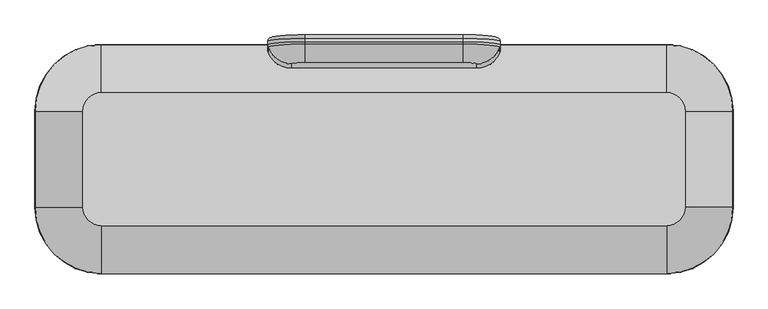
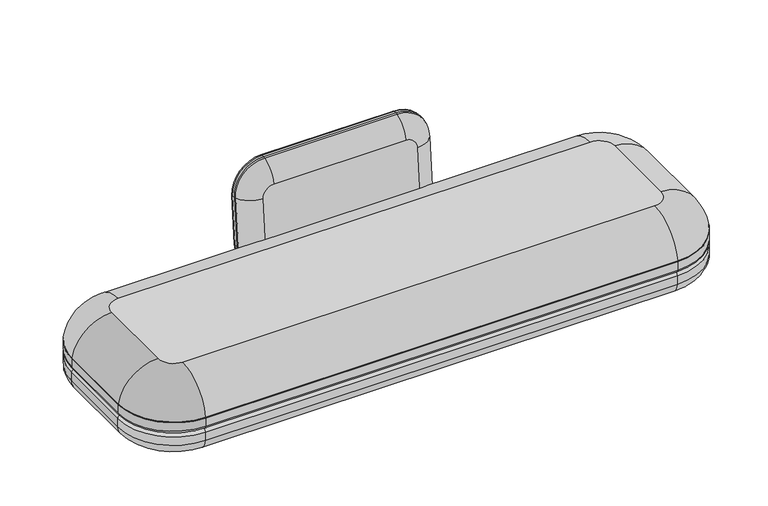
"""IFC4 building model written with IfcOpenShell, lengths in millimetres: furniture geometry."""

from ifc_helpers import new_model, si_unit, point, frame, origin, place, context, project, spatial, circle_curve, ellipse_curve, trimmed, source, transform, mapped, element, save
from ifc_brep_helpers import plane_surface, cylinder_surface, revolved_surface, advanced_brep


def furniture_c70abf19(model_context):
    return source(origin(), model_context, "Body", "AdvancedBrep", [
        advanced_brep(
        [(2095.5286011, 404.0683594, 275.7565503), (2324.1286011, 175.4683594, 275.7565503), (2324.1286011, 175.4683594, 239.7125), (2095.5286011, 404.0683594, 239.7125), (152.4286011, 404.0683594, 239.7125), (152.4286011, 404.0683594, 275.7565503), (-76.1713989, 175.4683594, 239.7125), (-76.1713989, 175.4683594, 275.7565503), (-76.1713989, -154.7316406, 239.7125), (-76.1713989, -154.7316406, 275.7565503), (152.4286011, -383.3316406, 239.7125), (152.4286011, -383.3316406, 275.7565503), (2095.5286011, -383.3316406, 239.7125), (2095.5286011, -383.3316406, 275.7565503), (2324.1286011, -154.7316406, 239.7125), (2324.1286011, -154.7316406, 275.7565503), (2311.4286011, 175.4683594, 227.0125), (2311.4286011, -154.7316406, 227.0125), (2095.5286011, -370.6316406, 227.0125), (152.4286011, -370.6316406, 227.0125), (-63.4713989, -154.7316406, 227.0125), (-63.4713989, 175.4683594, 227.0125), (152.4286011, 391.3683594, 227.0125), (2095.5286011, 391.3683594, 227.0125), (152.4286011, -218.2316406, 419.1), (2095.5286011, -218.2316406, 419.1), (2159.0286011, -154.7316406, 419.1), (2159.0286011, 175.4683594, 419.1), (2095.5286011, 238.9683594, 419.1), (152.4286011, 238.9683594, 419.1), (88.9286011, 175.4683594, 419.1), (88.9286011, -154.7316406, 419.1), (2323.7689183, 175.4683594, 280.0159534), (2095.5286011, 403.7086766, 280.0159534), (152.4286011, 403.7086766, 280.0159534), (-75.8117161, 175.4683594, 280.0159534), (-75.8117161, -154.7316406, 280.0159534), (152.4286011, -382.9719578, 280.0159534), (2095.5286011, -382.9719578, 280.0159534), (2323.7689183, -154.7316406, 280.0159534)],
        [
            (0, 1, circle_curve(frame((2095.5286011, 175.4683594, 275.7565503), z_axis=(0.0, 0.0, -1.0), x_axis=(1.0, 0.0, 0.0)), 228.6)),
            (1, 2),
            (2, 3, circle_curve(frame((2095.5286011, 175.4683594, 239.7125), z_axis=(0.0, 0.0, 1.0), x_axis=(1.0, 0.0, 0.0)), 228.6)),
            (3, 0),
            (3, 4),
            (4, 5),
            (5, 0),
            (4, 6, circle_curve(frame((152.4286011, 175.4683594, 239.7125), z_axis=(0.0, 0.0, 1.0), x_axis=(0.0, 1.0, 0.0)), 228.6)),
            (6, 7),
            (7, 5, circle_curve(frame((152.4286011, 175.4683594, 275.7565503), z_axis=(0.0, 0.0, -1.0), x_axis=(0.0, 1.0, 0.0)), 228.6)),
            (6, 8),
            (8, 9),
            (9, 7),
            (8, 10, circle_curve(frame((152.4286011, -154.7316406, 239.7125), z_axis=(0.0, 0.0, 1.0), x_axis=(-1.0, 0.0, 0.0)), 228.6)),
            (10, 11),
            (11, 9, circle_curve(frame((152.4286011, -154.7316406, 275.7565503), z_axis=(0.0, 0.0, -1.0), x_axis=(-1.0, 0.0, 0.0)), 228.6)),
            (10, 12),
            (12, 13),
            (13, 11),
            (12, 14, circle_curve(frame((2095.5286011, -154.7316406, 239.7125), z_axis=(0.0, 0.0, 1.0), x_axis=(0.0, -1.0, 0.0)), 228.6)),
            (14, 15),
            (15, 13, circle_curve(frame((2095.5286011, -154.7316406, 275.7565503), z_axis=(0.0, 0.0, -1.0), x_axis=(0.0, -1.0, 0.0)), 228.6)),
            (16, 17),
            (17, 18, circle_curve(frame((2095.5286011, -154.7316406, 227.0125), z_axis=(0.0, 0.0, -1.0), x_axis=(0.0, -1.0, 0.0)), 215.9)),
            (18, 19),
            (19, 20, circle_curve(frame((152.4286011, -154.7316406, 227.0125), z_axis=(0.0, 0.0, -1.0), x_axis=(-1.0, 0.0, 0.0)), 215.9)),
            (20, 21),
            (21, 22, circle_curve(frame((152.4286011, 175.4683594, 227.0125), z_axis=(0.0, 0.0, -1.0), x_axis=(0.0, 1.0, 0.0)), 215.9)),
            (22, 23),
            (23, 16, circle_curve(frame((2095.5286011, 175.4683594, 227.0125), z_axis=(0.0, 0.0, -1.0), x_axis=(1.0, 0.0, 0.0)), 215.9)),
            (1, 15),
            (14, 2),
            (24, 25),
            (25, 26, circle_curve(frame((2095.5286011, -154.7316406, 419.1), z_axis=(0.0, 0.0, 1.0), x_axis=(0.0, -1.0, 0.0)), 63.5)),
            (26, 27),
            (27, 28, circle_curve(frame((2095.5286011, 175.4683594, 419.1), z_axis=(0.0, 0.0, 1.0), x_axis=(1.0, 0.0, 0.0)), 63.5)),
            (28, 29),
            (29, 30, circle_curve(frame((152.4286011, 175.4683594, 419.1), z_axis=(0.0, 0.0, 1.0), x_axis=(0.0, 1.0, 0.0)), 63.5)),
            (30, 31),
            (31, 24, circle_curve(frame((152.4286011, -154.7316406, 419.1), z_axis=(0.0, 0.0, 1.0), x_axis=(-1.0, 0.0, 0.0)), 63.5)),
            (27, 32, circle_curve(frame((2159.0286011, 175.4683594, 251.9933287), z_axis=(0.0, 1.0, 0.0), x_axis=(-1.0, 0.0, 0.0)), 167.1066713)),
            (32, 33, circle_curve(frame((2095.5286011, 175.4683594, 280.0159534), z_axis=(0.0, 0.0, 1.0), x_axis=(1.0, 0.0, 0.0)), 228.2403172)),
            (33, 28, circle_curve(frame((2095.5286011, 238.9683594, 251.9933287), z_axis=(1.0, 0.0, 0.0), x_axis=(0.0, -1.0, 0.0)), 167.1066713)),
            (33, 34),
            (34, 29, circle_curve(frame((152.4286011, 238.9683594, 251.9933287), z_axis=(1.0, 0.0, 0.0), x_axis=(0.0, -1.0, 0.0)), 167.1066713)),
            (34, 35, circle_curve(frame((152.4286011, 175.4683594, 280.0159534), z_axis=(0.0, 0.0, 1.0), x_axis=(0.0, 1.0, 0.0)), 228.2403172)),
            (35, 30, circle_curve(frame((88.9286011, 175.4683594, 251.9933287), z_axis=(0.0, 1.0, 0.0), x_axis=(1.0, 0.0, 0.0)), 167.1066713)),
            (35, 36),
            (36, 31, circle_curve(frame((88.9286011, -154.7316406, 251.9933287), z_axis=(0.0, 1.0, 0.0), x_axis=(1.0, 0.0, 0.0)), 167.1066713)),
            (36, 37, circle_curve(frame((152.4286011, -154.7316406, 280.0159534), z_axis=(0.0, 0.0, 1.0), x_axis=(-1.0, 0.0, 0.0)), 228.2403172)),
            (37, 24, circle_curve(frame((152.4286011, -218.2316406, 251.9933287), z_axis=(-1.0, 0.0, 0.0), x_axis=(0.0, 1.0, 0.0)), 167.1066713)),
            (37, 38),
            (38, 25, circle_curve(frame((2095.5286011, -218.2316406, 251.9933287), z_axis=(-1.0, 0.0, 0.0), x_axis=(0.0, 1.0, 0.0)), 167.1066713)),
            (38, 39, circle_curve(frame((2095.5286011, -154.7316406, 280.0159534), z_axis=(0.0, 0.0, 1.0), x_axis=(0.0, -1.0, 0.0)), 228.2403172)),
            (39, 26, circle_curve(frame((2159.0286011, -154.7316406, 251.9933287), z_axis=(0.0, -1.0, 0.0), x_axis=(-1.0, 0.0, 0.0)), 167.1066713)),
            (39, 32),
            (0, 33, circle_curve(frame((2095.5286011, 378.6683594, 275.7565503), z_axis=(1.0, 0.0, 0.0), x_axis=(0.0, -1.0, 0.0)), 25.4)),
            (32, 1, circle_curve(frame((2298.7286011, 175.4683594, 275.7565503), z_axis=(0.0, 1.0, 0.0), x_axis=(-1.0, 0.0, 0.0)), 25.4)),
            (5, 34, circle_curve(frame((152.4286011, 378.6683594, 275.7565503), z_axis=(1.0, 0.0, 0.0), x_axis=(0.0, -1.0, 0.0)), 25.4)),
            (7, 35, circle_curve(frame((-50.7713989, 175.4683594, 275.7565503), z_axis=(0.0, 1.0, 0.0), x_axis=(1.0, 0.0, 0.0)), 25.4)),
            (9, 36, circle_curve(frame((-50.7713989, -154.7316406, 275.7565503), z_axis=(0.0, 1.0, 0.0), x_axis=(1.0, 0.0, 0.0)), 25.4)),
            (11, 37, circle_curve(frame((152.4286011, -357.9316406, 275.7565503), z_axis=(-1.0, 0.0, 0.0), x_axis=(0.0, 1.0, 0.0)), 25.4)),
            (13, 38, circle_curve(frame((2095.5286011, -357.9316406, 275.7565503), z_axis=(-1.0, 0.0, 0.0), x_axis=(0.0, 1.0, 0.0)), 25.4)),
            (15, 39, circle_curve(frame((2298.7286011, -154.7316406, 275.7565503), z_axis=(0.0, -1.0, 0.0), x_axis=(-1.0, 0.0, 0.0)), 25.4)),
            (2, 16, circle_curve(frame((2311.4286011, 175.4683594, 239.7125), z_axis=(0.0, 1.0, 0.0), x_axis=(-1.0, 0.0, 0.0)), 12.7)),
            (23, 3, circle_curve(frame((2095.5286011, 391.3683594, 239.7125), z_axis=(1.0, 0.0, 0.0), x_axis=(0.0, -1.0, 0.0)), 12.7)),
            (22, 4, circle_curve(frame((152.4286011, 391.3683594, 239.7125), z_axis=(1.0, 0.0, 0.0), x_axis=(0.0, -1.0, 0.0)), 12.7)),
            (21, 6, circle_curve(frame((-63.4713989, 175.4683594, 239.7125), z_axis=(0.0, 1.0, 0.0), x_axis=(1.0, 0.0, 0.0)), 12.7)),
            (20, 8, circle_curve(frame((-63.4713989, -154.7316406, 239.7125), z_axis=(0.0, 1.0, 0.0), x_axis=(1.0, 0.0, 0.0)), 12.7)),
            (19, 10, circle_curve(frame((152.4286011, -370.6316406, 239.7125), z_axis=(-1.0, 0.0, 0.0), x_axis=(0.0, 1.0, 0.0)), 12.7)),
            (18, 12, circle_curve(frame((2095.5286011, -370.6316406, 239.7125), z_axis=(-1.0, 0.0, 0.0), x_axis=(0.0, 1.0, 0.0)), 12.7)),
            (17, 14, circle_curve(frame((2311.4286011, -154.7316406, 239.7125), z_axis=(0.0, -1.0, 0.0), x_axis=(-1.0, 0.0, 0.0)), 12.7)),
        ],
        [
            cylinder_surface(frame((2095.5286011, 175.4683594, 419.1), z_axis=(0.0, 0.0, 1.0), x_axis=(1.0, 0.0, 0.0)), 228.6),
            plane_surface(frame((2095.5286011, 404.0683594, 239.7125), z_axis=(0.0, 1.0, 0.0), x_axis=(-1.0, 0.0, 0.0))),
            cylinder_surface(frame((152.4286011, 175.4683594, 419.1), z_axis=(0.0, 0.0, 1.0), x_axis=(0.0, 1.0, 0.0)), 228.6),
            plane_surface(frame((-76.1713989, 175.4683594, 239.7125), z_axis=(-1.0, 0.0, 0.0), x_axis=(0.0, -1.0, 0.0))),
            cylinder_surface(frame((152.4286011, -154.7316406, 419.1), z_axis=(0.0, 0.0, 1.0), x_axis=(-1.0, 0.0, 0.0)), 228.6),
            plane_surface(frame((152.4286011, -383.3316406, 239.7125), z_axis=(0.0, -1.0, 0.0), x_axis=(1.0, 0.0, 0.0))),
            cylinder_surface(frame((2095.5286011, -154.7316406, 419.1), z_axis=(0.0, 0.0, 1.0), x_axis=(0.0, -1.0, 0.0)), 228.6),
            plane_surface(frame((2133.6286011, -154.7316406, 227.0125), z_axis=(0.0, 0.0, -1.0), x_axis=(0.0, 1.0, 0.0))),
            plane_surface(frame((2324.1286011, -154.7316406, 239.7125), z_axis=(1.0, 0.0, 0.0), x_axis=(0.0, 1.0, 0.0))),
            plane_surface(frame((2159.0286011, -154.7316406, 419.1), z_axis=(0.0, 0.0, 1.0), x_axis=(0.0, 1.0, 0.0))),
            revolved_surface(trimmed(ellipse_curve(frame((2159.0286011, 175.4683594, 251.9933287), z_axis=(0.0, -1.0, 0.0), x_axis=(-1.0, 0.0, 0.0)), 167.1066713, 167.1066713), [point((2323.7689183, 175.4683594, 280.0159534))], [point((2159.0286011, 175.4683594, 419.1))], True, "CARTESIAN"), (2095.5286011, 175.4683594, 419.1), (0.0, 0.0, 1.0)),
            cylinder_surface(frame((2095.5286011, 238.9683594, 251.9933287), z_axis=(1.0, 0.0, 0.0), x_axis=(0.0, -1.0, 0.0)), 167.1066713),
            revolved_surface(trimmed(ellipse_curve(frame((152.4286011, 238.9683594, 251.9933287), z_axis=(1.0, 0.0, 0.0), x_axis=(0.0, -1.0, 0.0)), 167.1066713, 167.1066713), [point((152.4286011, 403.7086766, 280.0159534))], [point((152.4286011, 238.9683594, 419.1))], True, "CARTESIAN"), (152.4286011, 175.4683594, 419.1), (0.0, 0.0, 1.0)),
            cylinder_surface(frame((88.9286011, 175.4683594, 251.9933287), z_axis=(0.0, 1.0, 0.0), x_axis=(1.0, 0.0, 0.0)), 167.1066713),
            revolved_surface(trimmed(ellipse_curve(frame((88.9286011, -154.7316406, 251.9933287), z_axis=(0.0, 1.0, 0.0), x_axis=(1.0, 0.0, 0.0)), 167.1066713, 167.1066713), [point((-75.8117161, -154.7316406, 280.0159534))], [point((88.9286011, -154.7316406, 419.1))], True, "CARTESIAN"), (152.4286011, -154.7316406, 419.1), (0.0, 0.0, 1.0)),
            cylinder_surface(frame((152.4286011, -218.2316406, 251.9933287), z_axis=(-1.0, 0.0, 0.0), x_axis=(0.0, 1.0, 0.0)), 167.1066713),
            revolved_surface(trimmed(ellipse_curve(frame((2095.5286011, -218.2316406, 251.9933287), z_axis=(-1.0, 0.0, 0.0), x_axis=(0.0, 1.0, 0.0)), 167.1066713, 167.1066713), [point((2095.5286011, -382.9719578, 280.0159534))], [point((2095.5286011, -218.2316406, 419.1))], True, "CARTESIAN"), (2095.5286011, -154.7316406, 419.1), (0.0, 0.0, 1.0)),
            cylinder_surface(frame((2159.0286011, -154.7316406, 251.9933287), z_axis=(0.0, -1.0, 0.0), x_axis=(-1.0, 0.0, 0.0)), 167.1066713),
            revolved_surface(trimmed(ellipse_curve(frame((2298.7286011, 175.4683594, 275.7565503), z_axis=(0.0, -1.0, 0.0), x_axis=(-1.0, 0.0, 0.0)), 25.4, 25.4), [point((2324.1286011, 175.4683594, 275.7565503))], [point((2323.7689183, 175.4683594, 280.0159534))], True, "CARTESIAN"), (2095.5286011, 175.4683594, 419.1), (0.0, 0.0, 1.0)),
            cylinder_surface(frame((2095.5286011, 378.6683594, 275.7565503), z_axis=(1.0, 0.0, 0.0), x_axis=(0.0, -1.0, 0.0)), 25.4),
            revolved_surface(trimmed(ellipse_curve(frame((152.4286011, 378.6683594, 275.7565503), z_axis=(1.0, 0.0, 0.0), x_axis=(0.0, -1.0, 0.0)), 25.4, 25.4), [point((152.4286011, 404.0683594, 275.7565503))], [point((152.4286011, 403.7086766, 280.0159534))], True, "CARTESIAN"), (152.4286011, 175.4683594, 419.1), (0.0, 0.0, 1.0)),
            cylinder_surface(frame((-50.7713989, 175.4683594, 275.7565503), z_axis=(0.0, 1.0, 0.0), x_axis=(1.0, 0.0, 0.0)), 25.4),
            revolved_surface(trimmed(ellipse_curve(frame((-50.7713989, -154.7316406, 275.7565503), z_axis=(0.0, 1.0, 0.0), x_axis=(1.0, 0.0, 0.0)), 25.4, 25.4), [point((-76.1713989, -154.7316406, 275.7565503))], [point((-75.8117161, -154.7316406, 280.0159534))], True, "CARTESIAN"), (152.4286011, -154.7316406, 419.1), (0.0, 0.0, 1.0)),
            cylinder_surface(frame((152.4286011, -357.9316406, 275.7565503), z_axis=(-1.0, 0.0, 0.0), x_axis=(0.0, 1.0, 0.0)), 25.4),
            revolved_surface(trimmed(ellipse_curve(frame((2095.5286011, -357.9316406, 275.7565503), z_axis=(-1.0, 0.0, 0.0), x_axis=(0.0, 1.0, 0.0)), 25.4, 25.4), [point((2095.5286011, -383.3316406, 275.7565503))], [point((2095.5286011, -382.9719578, 280.0159534))], True, "CARTESIAN"), (2095.5286011, -154.7316406, 419.1), (0.0, 0.0, 1.0)),
            cylinder_surface(frame((2298.7286011, -154.7316406, 275.7565503), z_axis=(0.0, -1.0, 0.0), x_axis=(-1.0, 0.0, 0.0)), 25.4),
            revolved_surface(trimmed(ellipse_curve(frame((2311.4286011, 175.4683594, 239.7125), z_axis=(0.0, -1.0, 0.0), x_axis=(-1.0, 0.0, 0.0)), 12.7, 12.7), [point((2311.4286011, 175.4683594, 227.0125))], [point((2324.1286011, 175.4683594, 239.7125))], True, "CARTESIAN"), (2095.5286011, 175.4683594, 419.1), (0.0, 0.0, 1.0)),
            cylinder_surface(frame((2095.5286011, 391.3683594, 239.7125), z_axis=(1.0, 0.0, 0.0), x_axis=(0.0, -1.0, 0.0)), 12.7),
            revolved_surface(trimmed(ellipse_curve(frame((152.4286011, 391.3683594, 239.7125), z_axis=(1.0, 0.0, 0.0), x_axis=(0.0, -1.0, 0.0)), 12.7, 12.7), [point((152.4286011, 391.3683594, 227.0125))], [point((152.4286011, 404.0683594, 239.7125))], True, "CARTESIAN"), (152.4286011, 175.4683594, 419.1), (0.0, 0.0, 1.0)),
            cylinder_surface(frame((-63.4713989, 175.4683594, 239.7125), z_axis=(0.0, 1.0, 0.0), x_axis=(1.0, 0.0, 0.0)), 12.7),
            revolved_surface(trimmed(ellipse_curve(frame((-63.4713989, -154.7316406, 239.7125), z_axis=(0.0, 1.0, 0.0), x_axis=(1.0, 0.0, 0.0)), 12.7, 12.7), [point((-63.4713989, -154.7316406, 227.0125))], [point((-76.1713989, -154.7316406, 239.7125))], True, "CARTESIAN"), (152.4286011, -154.7316406, 419.1), (0.0, 0.0, 1.0)),
            cylinder_surface(frame((152.4286011, -370.6316406, 239.7125), z_axis=(-1.0, 0.0, 0.0), x_axis=(0.0, 1.0, 0.0)), 12.7),
            revolved_surface(trimmed(ellipse_curve(frame((2095.5286011, -370.6316406, 239.7125), z_axis=(-1.0, 0.0, 0.0), x_axis=(0.0, 1.0, 0.0)), 12.7, 12.7), [point((2095.5286011, -370.6316406, 227.0125))], [point((2095.5286011, -383.3316406, 239.7125))], True, "CARTESIAN"), (2095.5286011, -154.7316406, 419.1), (0.0, 0.0, 1.0)),
            cylinder_surface(frame((2311.4286011, -154.7316406, 239.7125), z_axis=(0.0, -1.0, 0.0), x_axis=(-1.0, 0.0, 0.0)), 12.7),
        ],
        [
            (0, [[1, 2, 3, 4]]),
            (1, [[-4, 5, 6, 7]]),
            (2, [[-6, 8, 9, 10]]),
            (3, [[-9, 11, 12, 13]]),
            (4, [[-12, 14, 15, 16]]),
            (5, [[-15, 17, 18, 19]]),
            (6, [[-18, 20, 21, 22]]),
            (7, [[23, 24, 25, 26, 27, 28, 29, 30]]),
            (8, [[-2, 31, -21, 32]]),
            (9, [[33, 34, 35, 36, 37, 38, 39, 40]]),
            (10, [[-36, 41, 42, 43]]),
            (11, [[-37, -43, 44, 45]]),
            (12, [[-38, -45, 46, 47]]),
            (13, [[-39, -47, 48, 49]]),
            (14, [[-40, -49, 50, 51]]),
            (15, [[-33, -51, 52, 53]]),
            (16, [[-34, -53, 54, 55]]),
            (17, [[-35, -55, 56, -41]]),
            (18, [[-1, 57, -42, 58]]),
            (19, [[-7, 59, -44, -57]]),
            (20, [[-10, 60, -46, -59]]),
            (21, [[-13, 61, -48, -60]]),
            (22, [[-16, 62, -50, -61]]),
            (23, [[-19, 63, -52, -62]]),
            (24, [[-22, 64, -54, -63]]),
            (25, [[-31, -58, -56, -64]]),
            (26, [[-3, 65, -30, 66]]),
            (27, [[-5, -66, -29, 67]]),
            (28, [[-8, -67, -28, 68]]),
            (29, [[-11, -68, -27, 69]]),
            (30, [[-14, -69, -26, 70]]),
            (31, [[-17, -70, -25, 71]]),
            (32, [[-20, -71, -24, 72]]),
            (33, [[-23, -65, -32, -72]]),
        ],
    ),
        advanced_brep(
        [(2095.5286011, -383.3316406, 178.59375), (2324.1286011, -154.7316406, 178.59375), (2324.1286011, -154.7316406, 214.3125), (2095.5286011, -383.3316406, 214.3125), (2095.5286011, -330.1503906, 125.4125), (2270.9473511, -154.7316406, 125.4125), (152.4286011, -383.3316406, 214.3125), (152.4286011, -383.3316406, 178.59375), (152.4286011, -330.1503906, 125.4125), (-76.1713989, -154.7316406, 214.3125), (-76.1713989, -154.7316406, 178.59375), (-22.9901489, -154.7316406, 125.4125), (-76.1713989, 175.4683594, 214.3125), (-76.1713989, 175.4683594, 178.59375), (-22.9901489, 175.4683594, 125.4125), (152.4286011, 404.0683594, 214.3125), (152.4286011, 404.0683594, 178.59375), (152.4286011, 350.8871094, 125.4125), (2095.5286011, 404.0683594, 214.3125), (2095.5286011, 404.0683594, 178.59375), (2095.5286011, 350.8871094, 125.4125), (2324.1286011, 175.4683594, 214.3125), (2324.1286011, 175.4683594, 178.59375), (2270.9473511, 175.4683594, 125.4125), (2311.4286011, -154.7316406, 227.0125), (2311.4286011, 175.4683594, 227.0125), (2095.5286011, 391.3683594, 227.0125), (152.4286011, 391.3683594, 227.0125), (-63.4713989, 175.4683594, 227.0125), (-63.4713989, -154.7316406, 227.0125), (152.4286011, -370.6316406, 227.0125), (2095.5286011, -370.6316406, 227.0125)],
        [
            (0, 1, circle_curve(frame((2095.5286011, -154.7316406, 178.59375), z_axis=(0.0, 0.0, 1.0), x_axis=(1.0, 0.0, 0.0)), 228.6)),
            (1, 2),
            (2, 3, circle_curve(frame((2095.5286011, -154.7316406, 214.3125), z_axis=(0.0, 0.0, -1.0), x_axis=(1.0, 0.0, 0.0)), 228.6)),
            (3, 0),
            (0, 4, circle_curve(frame((2095.5286011, -330.1503906, 178.59375), z_axis=(1.0, 0.0, 0.0), x_axis=(0.0, 1.0, 0.0)), 53.18125)),
            (4, 5, circle_curve(frame((2095.5286011, -154.7316406, 125.4125), z_axis=(0.0, 0.0, 1.0), x_axis=(1.0, 0.0, 0.0)), 175.41875)),
            (5, 1, circle_curve(frame((2270.9473511, -154.7316406, 178.59375), z_axis=(0.0, -1.0, 0.0), x_axis=(-1.0, 0.0, 0.0)), 53.18125)),
            (3, 6),
            (6, 7),
            (7, 0),
            (7, 8, circle_curve(frame((152.4286011, -330.1503906, 178.59375), z_axis=(1.0, 0.0, 0.0), x_axis=(0.0, 1.0, 0.0)), 53.18125)),
            (8, 4),
            (6, 9, circle_curve(frame((152.4286011, -154.7316406, 214.3125), z_axis=(0.0, 0.0, -1.0), x_axis=(0.0, -1.0, 0.0)), 228.6)),
            (9, 10),
            (10, 7, circle_curve(frame((152.4286011, -154.7316406, 178.59375), z_axis=(0.0, 0.0, 1.0), x_axis=(0.0, -1.0, 0.0)), 228.6)),
            (10, 11, circle_curve(frame((-22.9901489, -154.7316406, 178.59375), z_axis=(0.0, -1.0, 0.0), x_axis=(1.0, 0.0, 0.0)), 53.18125)),
            (11, 8, circle_curve(frame((152.4286011, -154.7316406, 125.4125), z_axis=(0.0, 0.0, 1.0), x_axis=(0.0, -1.0, 0.0)), 175.41875)),
            (9, 12),
            (12, 13),
            (13, 10),
            (13, 14, circle_curve(frame((-22.9901489, 175.4683594, 178.59375), z_axis=(0.0, -1.0, 0.0), x_axis=(1.0, 0.0, 0.0)), 53.18125)),
            (14, 11),
            (12, 15, circle_curve(frame((152.4286011, 175.4683594, 214.3125), z_axis=(0.0, 0.0, -1.0), x_axis=(-1.0, 0.0, 0.0)), 228.6)),
            (15, 16),
            (16, 13, circle_curve(frame((152.4286011, 175.4683594, 178.59375), z_axis=(0.0, 0.0, 1.0), x_axis=(-1.0, 0.0, 0.0)), 228.6)),
            (16, 17, circle_curve(frame((152.4286011, 350.8871094, 178.59375), z_axis=(-1.0, 0.0, 0.0), x_axis=(0.0, -1.0, 0.0)), 53.18125)),
            (17, 14, circle_curve(frame((152.4286011, 175.4683594, 125.4125), z_axis=(0.0, 0.0, 1.0), x_axis=(-1.0, 0.0, 0.0)), 175.41875)),
            (15, 18),
            (18, 19),
            (19, 16),
            (19, 20, circle_curve(frame((2095.5286011, 350.8871094, 178.59375), z_axis=(-1.0, 0.0, 0.0), x_axis=(0.0, -1.0, 0.0)), 53.18125)),
            (20, 17),
            (18, 21, circle_curve(frame((2095.5286011, 175.4683594, 214.3125), z_axis=(0.0, 0.0, -1.0), x_axis=(0.0, 1.0, 0.0)), 228.6)),
            (21, 22),
            (22, 19, circle_curve(frame((2095.5286011, 175.4683594, 178.59375), z_axis=(0.0, 0.0, 1.0), x_axis=(0.0, 1.0, 0.0)), 228.6)),
            (22, 23, circle_curve(frame((2270.9473511, 175.4683594, 178.59375), z_axis=(0.0, 1.0, 0.0), x_axis=(-1.0, 0.0, 0.0)), 53.18125)),
            (23, 20, circle_curve(frame((2095.5286011, 175.4683594, 125.4125), z_axis=(0.0, 0.0, 1.0), x_axis=(0.0, 1.0, 0.0)), 175.41875)),
            (24, 25),
            (25, 26, circle_curve(frame((2095.5286011, 175.4683594, 227.0125), z_axis=(0.0, 0.0, 1.0), x_axis=(0.0, 1.0, 0.0)), 215.9)),
            (26, 27),
            (27, 28, circle_curve(frame((152.4286011, 175.4683594, 227.0125), z_axis=(0.0, 0.0, 1.0), x_axis=(-1.0, 0.0, 0.0)), 215.9)),
            (28, 29),
            (29, 30, circle_curve(frame((152.4286011, -154.7316406, 227.0125), z_axis=(0.0, 0.0, 1.0), x_axis=(0.0, -1.0, 0.0)), 215.9)),
            (30, 31),
            (31, 24, circle_curve(frame((2095.5286011, -154.7316406, 227.0125), z_axis=(0.0, 0.0, 1.0), x_axis=(1.0, 0.0, 0.0)), 215.9)),
            (1, 22),
            (21, 2),
            (5, 23),
            (2, 24, circle_curve(frame((2311.4286011, -154.7316406, 214.3125), z_axis=(0.0, -1.0, 0.0), x_axis=(-1.0, 0.0, 0.0)), 12.7)),
            (31, 3, circle_curve(frame((2095.5286011, -370.6316406, 214.3125), z_axis=(1.0, 0.0, 0.0), x_axis=(0.0, 1.0, 0.0)), 12.7)),
            (30, 6, circle_curve(frame((152.4286011, -370.6316406, 214.3125), z_axis=(1.0, 0.0, 0.0), x_axis=(0.0, 1.0, 0.0)), 12.7)),
            (29, 9, circle_curve(frame((-63.4713989, -154.7316406, 214.3125), z_axis=(0.0, -1.0, 0.0), x_axis=(1.0, 0.0, 0.0)), 12.7)),
            (28, 12, circle_curve(frame((-63.4713989, 175.4683594, 214.3125), z_axis=(0.0, -1.0, 0.0), x_axis=(1.0, 0.0, 0.0)), 12.7)),
            (27, 15, circle_curve(frame((152.4286011, 391.3683594, 214.3125), z_axis=(-1.0, 0.0, 0.0), x_axis=(0.0, -1.0, 0.0)), 12.7)),
            (26, 18, circle_curve(frame((2095.5286011, 391.3683594, 214.3125), z_axis=(-1.0, 0.0, 0.0), x_axis=(0.0, -1.0, 0.0)), 12.7)),
            (25, 21, circle_curve(frame((2311.4286011, 175.4683594, 214.3125), z_axis=(0.0, 1.0, 0.0), x_axis=(-1.0, 0.0, 0.0)), 12.7)),
        ],
        [
            cylinder_surface(frame((2095.5286011, -154.7316406, 125.4125), z_axis=(0.0, 0.0, -1.0), x_axis=(1.0, 0.0, 0.0)), 228.6),
            revolved_surface(trimmed(ellipse_curve(frame((2270.9473511, -154.7316406, 178.59375), z_axis=(0.0, 1.0, 0.0), x_axis=(-1.0, 0.0, 0.0)), 53.18125, 53.18125), [point((2324.1286011, -154.7316406, 178.59375))], [point((2270.9473511, -154.7316406, 125.4125))], True, "CARTESIAN"), (2095.5286011, -154.7316406, 125.4125), (0.0, 0.0, -1.0)),
            plane_surface(frame((2095.5286011, -383.3316406, 214.3125), z_axis=(0.0, -1.0, 0.0), x_axis=(-1.0, 0.0, 0.0))),
            cylinder_surface(frame((2095.5286011, -330.1503906, 178.59375), z_axis=(1.0, 0.0, 0.0), x_axis=(0.0, 1.0, 0.0)), 53.18125),
            cylinder_surface(frame((152.4286011, -154.7316406, 125.4125), z_axis=(0.0, 0.0, -1.0), x_axis=(0.0, -1.0, 0.0)), 228.6),
            revolved_surface(trimmed(ellipse_curve(frame((152.4286011, -330.1503906, 178.59375), z_axis=(1.0, 0.0, 0.0), x_axis=(0.0, 1.0, 0.0)), 53.18125, 53.18125), [point((152.4286011, -383.3316406, 178.59375))], [point((152.4286011, -330.1503906, 125.4125))], True, "CARTESIAN"), (152.4286011, -154.7316406, 125.4125), (0.0, 0.0, -1.0)),
            plane_surface(frame((-76.1713989, -154.7316406, 214.3125), z_axis=(-1.0, 0.0, 0.0), x_axis=(0.0, 1.0, 0.0))),
            cylinder_surface(frame((-22.9901489, -154.7316406, 178.59375), z_axis=(0.0, -1.0, 0.0), x_axis=(1.0, 0.0, 0.0)), 53.18125),
            cylinder_surface(frame((152.4286011, 175.4683594, 125.4125), z_axis=(0.0, 0.0, -1.0), x_axis=(-1.0, 0.0, 0.0)), 228.6),
            revolved_surface(trimmed(ellipse_curve(frame((-22.9901489, 175.4683594, 178.59375), z_axis=(0.0, -1.0, 0.0), x_axis=(1.0, 0.0, 0.0)), 53.18125, 53.18125), [point((-76.1713989, 175.4683594, 178.59375))], [point((-22.9901489, 175.4683594, 125.4125))], True, "CARTESIAN"), (152.4286011, 175.4683594, 125.4125), (0.0, 0.0, -1.0)),
            plane_surface(frame((152.4286011, 404.0683594, 214.3125), z_axis=(0.0, 1.0, 0.0), x_axis=(1.0, 0.0, 0.0))),
            cylinder_surface(frame((152.4286011, 350.8871094, 178.59375), z_axis=(-1.0, 0.0, 0.0), x_axis=(0.0, -1.0, 0.0)), 53.18125),
            cylinder_surface(frame((2095.5286011, 175.4683594, 125.4125), z_axis=(0.0, 0.0, -1.0), x_axis=(0.0, 1.0, 0.0)), 228.6),
            revolved_surface(trimmed(ellipse_curve(frame((2095.5286011, 350.8871094, 178.59375), z_axis=(-1.0, 0.0, 0.0), x_axis=(0.0, -1.0, 0.0)), 53.18125, 53.18125), [point((2095.5286011, 404.0683594, 178.59375))], [point((2095.5286011, 350.8871094, 125.4125))], True, "CARTESIAN"), (2095.5286011, 175.4683594, 125.4125), (0.0, 0.0, -1.0)),
            plane_surface(frame((2133.6286011, 175.4683594, 227.0125), z_axis=(0.0, 0.0, 1.0), x_axis=(0.0, -1.0, 0.0))),
            plane_surface(frame((2324.1286011, 175.4683594, 214.3125), z_axis=(1.0, 0.0, 0.0), x_axis=(0.0, -1.0, 0.0))),
            cylinder_surface(frame((2270.9473511, 175.4683594, 178.59375), z_axis=(0.0, 1.0, 0.0), x_axis=(-1.0, 0.0, 0.0)), 53.18125),
            plane_surface(frame((2270.9473511, 175.4683594, 125.4125), z_axis=(0.0, 0.0, -1.0), x_axis=(0.0, -1.0, 0.0))),
            revolved_surface(trimmed(ellipse_curve(frame((2311.4286011, -154.7316406, 214.3125), z_axis=(0.0, 1.0, 0.0), x_axis=(-1.0, 0.0, 0.0)), 12.7, 12.7), [point((2311.4286011, -154.7316406, 227.0125))], [point((2324.1286011, -154.7316406, 214.3125))], True, "CARTESIAN"), (2095.5286011, -154.7316406, 125.4125), (0.0, 0.0, -1.0)),
            cylinder_surface(frame((2095.5286011, -370.6316406, 214.3125), z_axis=(1.0, 0.0, 0.0), x_axis=(0.0, 1.0, 0.0)), 12.7),
            revolved_surface(trimmed(ellipse_curve(frame((152.4286011, -370.6316406, 214.3125), z_axis=(1.0, 0.0, 0.0), x_axis=(0.0, 1.0, 0.0)), 12.7, 12.7), [point((152.4286011, -370.6316406, 227.0125))], [point((152.4286011, -383.3316406, 214.3125))], True, "CARTESIAN"), (152.4286011, -154.7316406, 125.4125), (0.0, 0.0, -1.0)),
            cylinder_surface(frame((-63.4713989, -154.7316406, 214.3125), z_axis=(0.0, -1.0, 0.0), x_axis=(1.0, 0.0, 0.0)), 12.7),
            revolved_surface(trimmed(ellipse_curve(frame((-63.4713989, 175.4683594, 214.3125), z_axis=(0.0, -1.0, 0.0), x_axis=(1.0, 0.0, 0.0)), 12.7, 12.7), [point((-63.4713989, 175.4683594, 227.0125))], [point((-76.1713989, 175.4683594, 214.3125))], True, "CARTESIAN"), (152.4286011, 175.4683594, 125.4125), (0.0, 0.0, -1.0)),
            cylinder_surface(frame((152.4286011, 391.3683594, 214.3125), z_axis=(-1.0, 0.0, 0.0), x_axis=(0.0, -1.0, 0.0)), 12.7),
            revolved_surface(trimmed(ellipse_curve(frame((2095.5286011, 391.3683594, 214.3125), z_axis=(-1.0, 0.0, 0.0), x_axis=(0.0, -1.0, 0.0)), 12.7, 12.7), [point((2095.5286011, 391.3683594, 227.0125))], [point((2095.5286011, 404.0683594, 214.3125))], True, "CARTESIAN"), (2095.5286011, 175.4683594, 125.4125), (0.0, 0.0, -1.0)),
            cylinder_surface(frame((2311.4286011, 175.4683594, 214.3125), z_axis=(0.0, 1.0, 0.0), x_axis=(-1.0, 0.0, 0.0)), 12.7),
        ],
        [
            (0, [[1, 2, 3, 4]]),
            (1, [[-1, 5, 6, 7]]),
            (2, [[-4, 8, 9, 10]]),
            (3, [[-5, -10, 11, 12]]),
            (4, [[-9, 13, 14, 15]]),
            (5, [[-11, -15, 16, 17]]),
            (6, [[-14, 18, 19, 20]]),
            (7, [[-16, -20, 21, 22]]),
            (8, [[-19, 23, 24, 25]]),
            (9, [[-21, -25, 26, 27]]),
            (10, [[-24, 28, 29, 30]]),
            (11, [[-26, -30, 31, 32]]),
            (12, [[-29, 33, 34, 35]]),
            (13, [[-31, -35, 36, 37]]),
            (14, [[38, 39, 40, 41, 42, 43, 44, 45]]),
            (15, [[-2, 46, -34, 47]]),
            (16, [[-7, 48, -36, -46]]),
            (17, [[-6, -12, -17, -22, -27, -32, -37, -48]]),
            (18, [[-3, 49, -45, 50]]),
            (19, [[-8, -50, -44, 51]]),
            (20, [[-13, -51, -43, 52]]),
            (21, [[-18, -52, -42, 53]]),
            (22, [[-23, -53, -41, 54]]),
            (23, [[-28, -54, -40, 55]]),
            (24, [[-33, -55, -39, 56]]),
            (25, [[-38, -49, -47, -56]]),
        ],
    ),
        advanced_brep(
        [(1511.0309449, 427.3430023, 556.8258813), (1396.7309449, 437.3049037, 670.6909353), (1396.7309449, 425.760109, 684.4494859), (1523.7309449, 414.6913297, 557.9327593), (1396.7309449, 414.1908307, 685.4616666), (1523.7309449, 403.1220514, 558.94494), (1523.7309449, 396.9812828, 355.5059966), (1511.0309449, 409.6329554, 354.3991187), (1523.7309449, 385.4120045, 356.5181773), (1396.7309449, 385.9125034, 228.9892699), (1396.7309449, 399.671054, 240.5340647), (1396.7309449, 374.3432252, 230.0014506), (850.9286011, 385.9125034, 228.9892699), (850.9286011, 399.671054, 240.5340647), (850.9286011, 374.3432252, 230.0014506), (723.9286011, 396.9812828, 355.5059966), (736.6286011, 409.6329554, 354.3991187), (723.9286011, 385.4120045, 356.5181773), (723.9286011, 414.6913297, 557.9327593), (736.6286011, 427.3430023, 556.8258813), (723.9286011, 403.1220514, 558.94494), (850.9286011, 425.760109, 684.4494859), (850.9286011, 437.3049037, 670.6909353), (850.9286011, 414.1908307, 685.4616666), (1396.7309449, 341.4692721, 608.958651), (850.9286011, 341.4692721, 608.958651), (806.4786011, 337.5951994, 564.6777967), (806.4786011, 319.8851524, 362.251034), (850.9286011, 316.0110797, 317.9701797), (1396.7309449, 316.0110797, 317.9701797), (1441.1809449, 319.8851524, 362.251034), (1441.1809449, 337.5951994, 564.6777967), (1522.2715693, 394.6686776, 559.6845143), (1396.7309449, 405.6102639, 684.7474188), (1522.2715693, 376.9586306, 357.2577517), (1396.7309449, 366.0170443, 232.1948472), (850.9286011, 366.0170443, 232.1948472), (725.3879767, 376.9586306, 357.2577517), (725.3879767, 394.6686776, 559.6845143), (850.9286011, 405.6102639, 684.7474188)],
        [
            (0, 1, circle_curve(frame((1396.7309449, 427.3430023, 556.8258813), z_axis=(0.0, -0.996194698091745, 0.08715574274766426), x_axis=(0.0, 0.08715574274766426, 0.996194698091745)), 114.3)),
            (1, 2, circle_curve(frame((1396.7309449, 424.6532311, 671.7978133), z_axis=(1.0, 0.0, 0.0), x_axis=(0.0, 0.08715574274766424, 0.996194698091745)), 12.7)),
            (2, 3, circle_curve(frame((1396.7309449, 414.6913297, 557.9327593), z_axis=(0.0, 0.996194698091745, -0.08715574274766426), x_axis=(0.0, 0.08715574274766426, 0.996194698091745)), 127.0)),
            (3, 0, circle_curve(frame((1511.0309449, 414.6913297, 557.9327593), z_axis=(0.0, 0.0871557427476706, 0.9961946980917444), x_axis=(1.0, 0.0, 0.0)), 12.7)),
            (2, 4),
            (4, 5, circle_curve(frame((1396.7309449, 403.1220514, 558.94494), z_axis=(0.0, 0.996194698091745, -0.08715574274766426), x_axis=(0.0, 0.08715574274766426, 0.996194698091745)), 127.0)),
            (5, 3),
            (3, 6),
            (6, 7, circle_curve(frame((1511.0309449, 396.9812828, 355.5059966), z_axis=(0.0, 0.08715574274767063, 0.9961946980917445), x_axis=(1.0, 0.0, 0.0)), 12.7)),
            (7, 0),
            (5, 8),
            (8, 6),
            (6, 9, circle_curve(frame((1396.7309449, 396.9812828, 355.5059966), z_axis=(0.0, 0.996194698091745, -0.08715574274766426), x_axis=(1.0, 0.0, 0.0)), 127.0)),
            (9, 10, circle_curve(frame((1396.7309449, 387.0193814, 241.6409426), z_axis=(1.0, 0.0, 0.0), x_axis=(0.0, -0.08715574274766427, -0.996194698091745)), 12.7)),
            (10, 7, circle_curve(frame((1396.7309449, 409.6329554, 354.3991187), z_axis=(0.0, -0.996194698091745, 0.08715574274766426), x_axis=(1.0, 0.0, 0.0)), 114.3)),
            (8, 11, circle_curve(frame((1396.7309449, 385.4120045, 356.5181773), z_axis=(0.0, 0.996194698091745, -0.08715574274766426), x_axis=(1.0, 0.0, 0.0)), 127.0)),
            (11, 9),
            (9, 12),
            (12, 13, circle_curve(frame((850.9286011, 387.0193814, 241.6409426), z_axis=(1.0, 0.0, 0.0), x_axis=(0.0, -0.08715574274766426, -0.996194698091745)), 12.7)),
            (13, 10),
            (11, 14),
            (14, 12),
            (12, 15, circle_curve(frame((850.9286011, 396.9812828, 355.5059966), z_axis=(0.0, 0.996194698091745, -0.08715574274766426), x_axis=(0.0, -0.08715574274766426, -0.996194698091745)), 127.0)),
            (15, 16, circle_curve(frame((736.6286011, 396.9812828, 355.5059966), z_axis=(0.0, -0.08715574274765793, -0.9961946980917455), x_axis=(-1.0, 0.0, 0.0)), 12.7)),
            (16, 13, circle_curve(frame((850.9286011, 409.6329554, 354.3991187), z_axis=(0.0, -0.996194698091745, 0.08715574274766426), x_axis=(0.0, -0.08715574274766426, -0.996194698091745)), 114.3)),
            (14, 17, circle_curve(frame((850.9286011, 385.4120045, 356.5181773), z_axis=(0.0, 0.996194698091745, -0.08715574274766426), x_axis=(0.0, -0.08715574274766426, -0.996194698091745)), 127.0)),
            (17, 15),
            (15, 18),
            (18, 19, circle_curve(frame((736.6286011, 414.6913297, 557.9327593), z_axis=(0.0, -0.0871557427476579, -0.9961946980917457), x_axis=(-1.0, 0.0, 0.0)), 12.7)),
            (19, 16),
            (17, 20),
            (20, 18),
            (18, 21, circle_curve(frame((850.9286011, 414.6913297, 557.9327593), z_axis=(0.0, 0.996194698091745, -0.08715574274766426), x_axis=(-1.0, 0.0, 0.0)), 127.0)),
            (21, 22, circle_curve(frame((850.9286011, 424.6532311, 671.7978133), z_axis=(-1.0, 0.0, 0.0), x_axis=(0.0, 0.08715574274766426, 0.996194698091745)), 12.7)),
            (22, 19, circle_curve(frame((850.9286011, 427.3430023, 556.8258813), z_axis=(0.0, -0.996194698091745, 0.08715574274766426), x_axis=(-1.0, 0.0, 0.0)), 114.3)),
            (20, 23, circle_curve(frame((850.9286011, 403.1220514, 558.94494), z_axis=(0.0, 0.996194698091745, -0.08715574274766426), x_axis=(-1.0, 0.0, 0.0)), 127.0)),
            (23, 21),
            (1, 22),
            (21, 2),
            (23, 4),
            (24, 25),
            (25, 26, circle_curve(frame((850.9286011, 337.5951994, 564.6777967), z_axis=(0.0, -0.996194698091745, 0.08715574274766426), x_axis=(-1.0, 0.0, 0.0)), 44.45)),
            (26, 27),
            (27, 28, circle_curve(frame((850.9286011, 319.8851524, 362.251034), z_axis=(0.0, -0.996194698091745, 0.08715574274766426), x_axis=(0.0, -0.08715574274766426, -0.996194698091745)), 44.45)),
            (28, 29),
            (29, 30, circle_curve(frame((1396.7309449, 319.8851524, 362.251034), z_axis=(0.0, -0.996194698091745, 0.08715574274766426), x_axis=(1.0, 0.0, 0.0)), 44.45)),
            (30, 31),
            (31, 24, circle_curve(frame((1396.7309449, 337.5951994, 564.6777967), z_axis=(0.0, -0.996194698091745, 0.08715574274766426), x_axis=(0.0, 0.08715574274766426, 0.996194698091745)), 44.45)),
            (31, 32, circle_curve(frame((1441.1809449, 423.3015717, 557.1794607), z_axis=(0.0, 0.0871557427476706, 0.9961946980917444), x_axis=(1.0, 0.0, 0.0)), 86.0337567)),
            (32, 33, circle_curve(frame((1396.7309449, 394.6686776, 559.6845143), z_axis=(0.0, -0.996194698091745, 0.08715574274766426), x_axis=(0.0, 0.08715574274766426, 0.996194698091745)), 125.5406245)),
            (33, 24, circle_curve(frame((1396.7309449, 427.1756444, 601.460315), z_axis=(1.0, 0.0, 0.0), x_axis=(0.0, 0.08715574274766424, 0.996194698091745)), 86.0337567)),
            (4, 33, circle_curve(frame((1396.7309449, 411.9770749, 660.1583213), z_axis=(1.0, 0.0, 0.0), x_axis=(0.0, 0.08715574274766424, 0.996194698091745)), 25.4)),
            (32, 5, circle_curve(frame((1498.3309449, 403.1220514, 558.94494), z_axis=(0.0, 0.0871557427476706, 0.9961946980917444), x_axis=(1.0, 0.0, 0.0)), 25.4)),
            (30, 34, circle_curve(frame((1441.1809449, 405.5915248, 354.752698), z_axis=(0.0, 0.08715574274767063, 0.9961946980917445), x_axis=(1.0, 0.0, 0.0)), 86.0337567)),
            (34, 32),
            (34, 8, circle_curve(frame((1498.3309449, 385.4120045, 356.5181773), z_axis=(0.0, 0.08715574274767063, 0.9961946980917445), x_axis=(1.0, 0.0, 0.0)), 25.4)),
            (29, 35, circle_curve(frame((1396.7309449, 401.717452, 310.4718437), z_axis=(1.0, 0.0, 0.0), x_axis=(0.0, -0.08715574274766427, -0.996194698091745)), 86.0337567)),
            (35, 34, circle_curve(frame((1396.7309449, 376.9586306, 357.2577517), z_axis=(0.0, -0.996194698091745, 0.08715574274766426), x_axis=(1.0, 0.0, 0.0)), 125.5406245)),
            (35, 11, circle_curve(frame((1396.7309449, 376.556981, 255.304796), z_axis=(1.0, 0.0, 0.0), x_axis=(0.0, -0.08715574274766427, -0.996194698091745)), 25.4)),
            (28, 36, circle_curve(frame((850.9286011, 401.717452, 310.4718437), z_axis=(1.0, 0.0, 0.0), x_axis=(0.0, -0.08715574274766426, -0.996194698091745)), 86.0337567)),
            (36, 35),
            (36, 14, circle_curve(frame((850.9286011, 376.556981, 255.304796), z_axis=(1.0, 0.0, 0.0), x_axis=(0.0, -0.08715574274766426, -0.996194698091745)), 25.4)),
            (27, 37, circle_curve(frame((806.4786011, 405.5915248, 354.752698), z_axis=(0.0, -0.08715574274765793, -0.9961946980917455), x_axis=(-1.0, 0.0, 0.0)), 86.0337567)),
            (37, 36, circle_curve(frame((850.9286011, 376.9586306, 357.2577517), z_axis=(0.0, -0.996194698091745, 0.08715574274766426), x_axis=(0.0, -0.08715574274766426, -0.996194698091745)), 125.5406245)),
            (37, 17, circle_curve(frame((749.3286011, 385.4120045, 356.5181773), z_axis=(0.0, -0.08715574274765793, -0.9961946980917455), x_axis=(-1.0, 0.0, 0.0)), 25.4)),
            (26, 38, circle_curve(frame((806.4786011, 423.3015717, 557.1794607), z_axis=(0.0, -0.0871557427476579, -0.9961946980917457), x_axis=(-1.0, 0.0, 0.0)), 86.0337567)),
            (38, 37),
            (38, 20, circle_curve(frame((749.3286011, 403.1220514, 558.94494), z_axis=(0.0, -0.0871557427476579, -0.9961946980917457), x_axis=(-1.0, 0.0, 0.0)), 25.4)),
            (25, 39, circle_curve(frame((850.9286011, 427.1756444, 601.460315), z_axis=(-1.0, 0.0, 0.0), x_axis=(0.0, 0.08715574274766426, 0.996194698091745)), 86.0337567)),
            (39, 38, circle_curve(frame((850.9286011, 394.6686776, 559.6845143), z_axis=(0.0, -0.996194698091745, 0.08715574274766426), x_axis=(-1.0, 0.0, 0.0)), 125.5406245)),
            (39, 23, circle_curve(frame((850.9286011, 411.9770749, 660.1583213), z_axis=(-1.0, 0.0, 0.0), x_axis=(0.0, 0.08715574274766426, 0.996194698091745)), 25.4)),
            (33, 39),
        ],
        [
            revolved_surface(trimmed(ellipse_curve(frame((1396.7309449, 424.6532311, 671.7978133), z_axis=(-1.0, 0.0, 0.0), x_axis=(0.0, 0.08715574274766424, 0.996194698091745)), 12.7, 12.7), [point((1396.7309449, 425.760109, 684.4494859))], [point((1396.7309449, 437.3049037, 670.6909353))], True, "CARTESIAN"), (1396.7309449, 427.3430023, 556.8258813), (0.0, 0.996194698091745, -0.08715574274766426)),
            cylinder_surface(frame((1396.7309449, 427.3430023, 556.8258813), z_axis=(0.0, 0.996194698091745, -0.08715574274766426), x_axis=(0.0, 0.08715574274766426, 0.996194698091745)), 127.0),
            cylinder_surface(frame((1511.0309449, 414.6913297, 557.9327593), z_axis=(0.0, 0.08715574274767063, 0.9961946980917445), x_axis=(1.0, 0.0, 0.0)), 12.7),
            plane_surface(frame((1523.7309449, 403.1220514, 558.94494), z_axis=(1.0, 0.0, 0.0), x_axis=(0.0, -0.0871557427476642, -0.996194698091745))),
            revolved_surface(trimmed(ellipse_curve(frame((1511.0309449, 396.9812828, 355.5059966), z_axis=(0.0, 0.08715574274767038, 0.9961946980917444), x_axis=(1.0, 0.0, 0.0)), 12.7, 12.7), [point((1523.7309449, 396.9812828, 355.5059966))], [point((1511.0309449, 409.6329554, 354.3991187))], True, "CARTESIAN"), (1396.7309449, 409.6329554, 354.3991187), (0.0, 0.996194698091745, -0.08715574274766426)),
            cylinder_surface(frame((1396.7309449, 409.6329554, 354.3991187), z_axis=(0.0, 0.996194698091745, -0.08715574274766426), x_axis=(1.0, 0.0, 0.0)), 127.0),
            cylinder_surface(frame((1396.7309449, 387.0193814, 241.6409426), z_axis=(1.0, 0.0, 0.0), x_axis=(0.0, -0.08715574274766426, -0.996194698091745)), 12.7),
            plane_surface(frame((1396.7309449, 374.3432252, 230.0014506), z_axis=(0.0, -0.08715574274766695, -0.9961946980917448), x_axis=(-1.0, 0.0, 0.0))),
            revolved_surface(trimmed(ellipse_curve(frame((850.9286011, 387.0193814, 241.6409426), z_axis=(1.0, 0.0, 0.0), x_axis=(0.0, -0.08715574274766426, -0.996194698091745)), 12.7, 12.7), [point((850.9286011, 385.9125034, 228.9892699))], [point((850.9286011, 399.671054, 240.5340647))], True, "CARTESIAN"), (850.9286011, 409.6329554, 354.3991187), (0.0, 0.996194698091745, -0.08715574274766426)),
            cylinder_surface(frame((850.9286011, 409.6329554, 354.3991187), z_axis=(0.0, 0.996194698091745, -0.08715574274766426), x_axis=(0.0, -0.08715574274766426, -0.996194698091745)), 127.0),
            cylinder_surface(frame((736.6286011, 396.9812828, 355.5059966), z_axis=(0.0, -0.0871557427476579, -0.9961946980917457), x_axis=(-1.0, 0.0, 0.0)), 12.7),
            plane_surface(frame((723.9286011, 385.4120045, 356.5181773), z_axis=(-1.0, 0.0, 0.0), x_axis=(0.0, 0.08715574274766431, 0.996194698091745))),
            revolved_surface(trimmed(ellipse_curve(frame((736.6286011, 414.6913297, 557.9327593), z_axis=(0.0, -0.08715574274765812, -0.9961946980917455), x_axis=(-1.0, 0.0, 0.0)), 12.7, 12.7), [point((723.9286011, 414.6913297, 557.9327593))], [point((736.6286011, 427.3430023, 556.8258813))], True, "CARTESIAN"), (850.9286011, 427.3430023, 556.8258813), (0.0, 0.996194698091745, -0.08715574274766426)),
            cylinder_surface(frame((850.9286011, 427.3430023, 556.8258813), z_axis=(0.0, 0.996194698091745, -0.08715574274766426), x_axis=(-1.0, 0.0, 0.0)), 127.0),
            cylinder_surface(frame((850.9286011, 424.6532311, 671.7978133), z_axis=(-1.0, 0.0, 0.0), x_axis=(0.0, 0.08715574274766427, 0.996194698091745)), 12.7),
            plane_surface(frame((850.9286011, 414.1908307, 685.4616666), z_axis=(0.0, 0.08715574274766157, 0.9961946980917452), x_axis=(1.0, 0.0, 0.0))),
            plane_surface(frame((850.9286011, 339.8089552, 589.981142), z_axis=(0.0, -0.996194698091745, 0.08715574274766458), x_axis=(1.0, 0.0, 0.0))),
            plane_surface(frame((850.9286011, 437.3049037, 670.6909353), z_axis=(0.0, 0.996194698091745, -0.08715574274766433), x_axis=(1.0, 0.0, 0.0))),
            revolved_surface(trimmed(ellipse_curve(frame((1396.7309449, 427.1756444, 601.460315), z_axis=(-1.0, 0.0, 0.0), x_axis=(0.0, 0.08715574274766424, 0.996194698091745)), 86.0337567, 86.0337567), [point((1396.7309449, 341.4692721, 608.958651))], [point((1396.7309449, 405.6102639, 684.7474188))], True, "CARTESIAN"), (1396.7309449, 427.3430023, 556.8258813), (0.0, 0.996194698091745, -0.08715574274766426)),
            revolved_surface(trimmed(ellipse_curve(frame((1396.7309449, 411.9770749, 660.1583213), z_axis=(-1.0, 0.0, 0.0), x_axis=(0.0, 0.08715574274766424, 0.996194698091745)), 25.4, 25.4), [point((1396.7309449, 405.6102639, 684.7474188))], [point((1396.7309449, 414.1908307, 685.4616666))], True, "CARTESIAN"), (1396.7309449, 427.3430023, 556.8258813), (0.0, 0.996194698091745, -0.08715574274766426)),
            cylinder_surface(frame((1441.1809449, 423.3015717, 557.1794607), z_axis=(0.0, 0.08715574274767063, 0.9961946980917445), x_axis=(1.0, 0.0, 0.0)), 86.0337567),
            cylinder_surface(frame((1498.3309449, 403.1220514, 558.94494), z_axis=(0.0, 0.08715574274767063, 0.9961946980917445), x_axis=(1.0, 0.0, 0.0)), 25.4),
            revolved_surface(trimmed(ellipse_curve(frame((1441.1809449, 405.5915248, 354.752698), z_axis=(0.0, 0.08715574274767038, 0.9961946980917444), x_axis=(1.0, 0.0, 0.0)), 86.0337567, 86.0337567), [point((1441.1809449, 319.8851524, 362.251034))], [point((1522.2715693, 376.9586306, 357.2577517))], True, "CARTESIAN"), (1396.7309449, 409.6329554, 354.3991187), (0.0, 0.996194698091745, -0.08715574274766426)),
            revolved_surface(trimmed(ellipse_curve(frame((1498.3309449, 385.4120045, 356.5181773), z_axis=(0.0, 0.08715574274767038, 0.9961946980917444), x_axis=(1.0, 0.0, 0.0)), 25.4, 25.4), [point((1522.2715693, 376.9586306, 357.2577517))], [point((1523.7309449, 385.4120045, 356.5181773))], True, "CARTESIAN"), (1396.7309449, 409.6329554, 354.3991187), (0.0, 0.996194698091745, -0.08715574274766426)),
            cylinder_surface(frame((1396.7309449, 401.717452, 310.4718437), z_axis=(1.0, 0.0, 0.0), x_axis=(0.0, -0.08715574274766426, -0.996194698091745)), 86.0337567),
            cylinder_surface(frame((1396.7309449, 376.556981, 255.304796), z_axis=(1.0, 0.0, 0.0), x_axis=(0.0, -0.08715574274766426, -0.996194698091745)), 25.4),
            revolved_surface(trimmed(ellipse_curve(frame((850.9286011, 401.717452, 310.4718437), z_axis=(1.0, 0.0, 0.0), x_axis=(0.0, -0.08715574274766426, -0.996194698091745)), 86.0337567, 86.0337567), [point((850.9286011, 316.0110797, 317.9701797))], [point((850.9286011, 366.0170443, 232.1948472))], True, "CARTESIAN"), (850.9286011, 409.6329554, 354.3991187), (0.0, 0.996194698091745, -0.08715574274766426)),
            revolved_surface(trimmed(ellipse_curve(frame((850.9286011, 376.556981, 255.304796), z_axis=(1.0, 0.0, 0.0), x_axis=(0.0, -0.08715574274766426, -0.996194698091745)), 25.4, 25.4), [point((850.9286011, 366.0170443, 232.1948472))], [point((850.9286011, 374.3432252, 230.0014506))], True, "CARTESIAN"), (850.9286011, 409.6329554, 354.3991187), (0.0, 0.996194698091745, -0.08715574274766426)),
            cylinder_surface(frame((806.4786011, 405.5915248, 354.752698), z_axis=(0.0, -0.0871557427476579, -0.9961946980917457), x_axis=(-1.0, 0.0, 0.0)), 86.0337567),
            cylinder_surface(frame((749.3286011, 385.4120045, 356.5181773), z_axis=(0.0, -0.0871557427476579, -0.9961946980917457), x_axis=(-1.0, 0.0, 0.0)), 25.4),
            revolved_surface(trimmed(ellipse_curve(frame((806.4786011, 423.3015717, 557.1794607), z_axis=(0.0, -0.08715574274765812, -0.9961946980917455), x_axis=(-1.0, 0.0, 0.0)), 86.0337567, 86.0337567), [point((806.4786011, 337.5951994, 564.6777967))], [point((725.3879767, 394.6686776, 559.6845143))], True, "CARTESIAN"), (850.9286011, 427.3430023, 556.8258813), (0.0, 0.996194698091745, -0.08715574274766426)),
            revolved_surface(trimmed(ellipse_curve(frame((749.3286011, 403.1220514, 558.94494), z_axis=(0.0, -0.08715574274765812, -0.9961946980917455), x_axis=(-1.0, 0.0, 0.0)), 25.4, 25.4), [point((725.3879767, 394.6686776, 559.6845143))], [point((723.9286011, 403.1220514, 558.94494))], True, "CARTESIAN"), (850.9286011, 427.3430023, 556.8258813), (0.0, 0.996194698091745, -0.08715574274766426)),
            cylinder_surface(frame((850.9286011, 427.1756444, 601.460315), z_axis=(-1.0, 0.0, 0.0), x_axis=(0.0, 0.08715574274766427, 0.996194698091745)), 86.0337567),
            cylinder_surface(frame((850.9286011, 411.9770749, 660.1583213), z_axis=(-1.0, 0.0, 0.0), x_axis=(0.0, 0.08715574274766427, 0.996194698091745)), 25.4),
        ],
        [
            (0, [[1, 2, 3, 4]]),
            (1, [[-3, 5, 6, 7]]),
            (2, [[-4, 8, 9, 10]]),
            (3, [[-7, 11, 12, -8]]),
            (4, [[-9, 13, 14, 15]]),
            (5, [[-12, 16, 17, -13]]),
            (6, [[-14, 18, 19, 20]]),
            (7, [[-17, 21, 22, -18]]),
            (8, [[-19, 23, 24, 25]]),
            (9, [[-22, 26, 27, -23]]),
            (10, [[-24, 28, 29, 30]]),
            (11, [[-27, 31, 32, -28]]),
            (12, [[-29, 33, 34, 35]]),
            (13, [[-32, 36, 37, -33]]),
            (14, [[-2, 38, -34, 39]]),
            (15, [[-5, -39, -37, 40]]),
            (16, [[41, 42, 43, 44, 45, 46, 47, 48]]),
            (17, [[-1, -10, -15, -20, -25, -30, -35, -38]]),
            (18, [[-48, 49, 50, 51]]),
            (19, [[-6, 52, -50, 53]]),
            (20, [[-47, 54, 55, -49]]),
            (21, [[-11, -53, -55, 56]]),
            (22, [[-46, 57, 58, -54]]),
            (23, [[-16, -56, -58, 59]]),
            (24, [[-45, 60, 61, -57]]),
            (25, [[-21, -59, -61, 62]]),
            (26, [[-44, 63, 64, -60]]),
            (27, [[-26, -62, -64, 65]]),
            (28, [[-43, 66, 67, -63]]),
            (29, [[-31, -65, -67, 68]]),
            (30, [[-42, 69, 70, -66]]),
            (31, [[-36, -68, -70, 71]]),
            (32, [[-41, -51, 72, -69]]),
            (33, [[-40, -71, -72, -52]]),
        ],
    ),
    ])


if __name__ == "__main__":
    model = new_model("IFC4")
    model_context = context("Model", 3, world=origin())
    ifc_project = project(units=[si_unit("LENGTHUNIT", "METRE", prefix="MILLI")], contexts=[model_context])
    site = spatial("IfcSite", under=ifc_project)
    building = spatial("IfcBuilding", under=site)
    placement = place(None, origin())
    furniture_shape = furniture_c70abf19(model_context)
    element("IfcFurniture", 1, at=placement, inside=building, context=model_context, shape_type="MappedRepresentation", body=[
        mapped(furniture_shape, transform((0.0, 0.0, 0.0), x_axis=(1.0, 0.0, 0.0), y_axis=(0.0, 1.0, 0.0), z_axis=(0.0, 0.0, 1.0))),
    ])
    save(model, "model.ifc")
